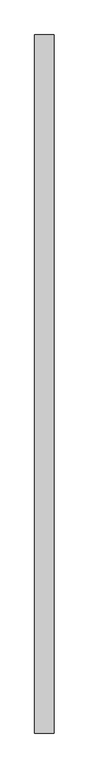
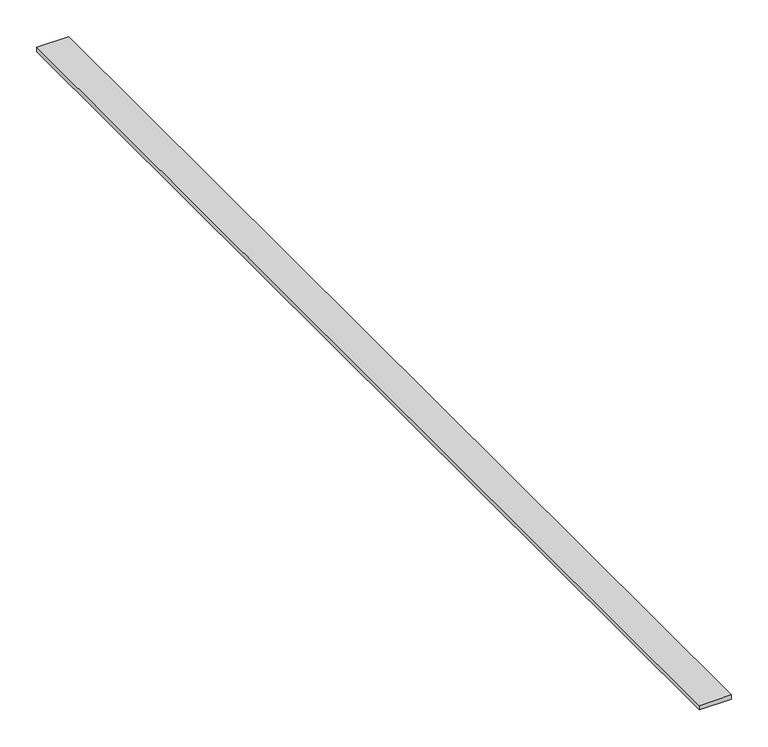
"""IFC4 building model written with IfcOpenShell, lengths in millimetres: proxy geometry."""

from ifc_helpers import new_model, si_unit, origin, origin_with_axes, place, context, project, spatial, polyline, outline, extrude, source, transform, mapped, element, save


def generic_models_5bfb905a(model_context):
    return source(origin(), model_context, "Body", "SweptSolid", [
        extrude(outline(polyline([(26.7544115, 408.8971584), (26.7544115, -1391.1028416), (-23.2455885, -1391.1028416), (-23.2455885, 408.8971584), (26.7544115, 408.8971584)])), origin_with_axes(), (0.0, 0.0, 1.0), 7.0),
    ])


if __name__ == "__main__":
    model = new_model("IFC4")
    model_context = context("Model", 3, world=origin())
    ifc_project = project(units=[si_unit("LENGTHUNIT", "METRE", prefix="MILLI")], contexts=[model_context])
    site = spatial("IfcSite", under=ifc_project)
    building = spatial("IfcBuilding", under=site)
    placement = place(None, origin())
    generic_models_shape = generic_models_5bfb905a(model_context)
    element("IfcBuildingElementProxy", 1, Name="Generic Models", at=placement, inside=building, context=model_context, shape_type="MappedRepresentation", body=[
        mapped(generic_models_shape, transform((0.0, 0.0, 0.0), x_axis=(1.0, 0.0, 0.0), y_axis=(0.0, 1.0, 0.0), z_axis=(0.0, 0.0, 1.0))),
    ])
    save(model, "model.ifc")
